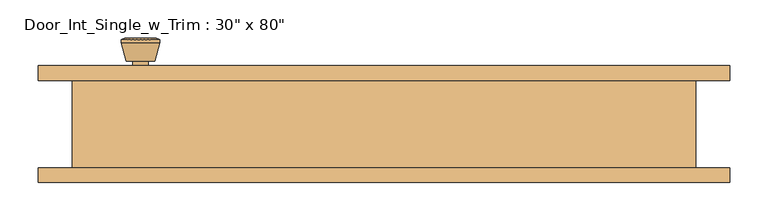
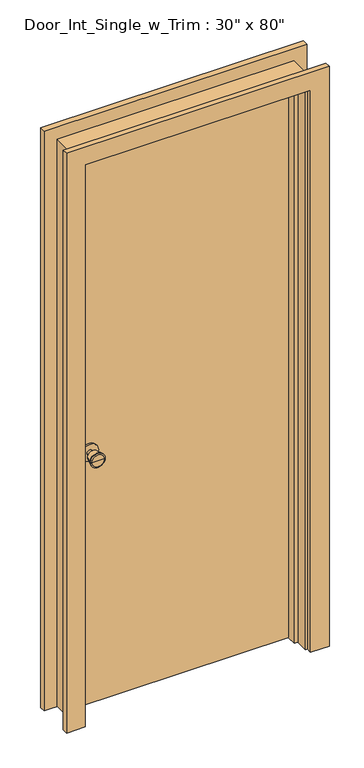
"""IFC4 building model written with IfcOpenShell, lengths in millimetres: door geometry."""

from ifc_helpers import new_model, si_unit, point, frame, frame_2d, origin, origin_with_axes, place, context, project, spatial, polyline, circle_curve, trimmed, segment, composite_curve, outline, extrude, faceted_brep, source, transform, mapped, element, save
from ifc_brep_helpers import plane_surface, cylinder_surface, revolved_surface, advanced_brep


def door_d05bd11b(model_context):
    return source(origin(), model_context, "Body", "SolidModel", [
        advanced_brep(
        [(-317.5, 13.05, 914.4), (-307.5, 13.05, 914.4), (-327.5, 13.05, 914.4), (-297.0241324, -35.95, 914.4), (-317.5, -35.95, 914.4), (-337.9758676, -35.95, 914.4), (-292.5, -34.1221319, 914.4), (-342.5, -34.1221319, 914.4), (-292.5, -30.6584537, 914.4), (-342.5, -30.6584537, 914.4), (-298.863764, -5.95, 914.4), (-336.136236, -5.95, 914.4), (-307.5, -5.95, 914.4), (-327.5, -5.95, 914.4)],
        [
            (0, 1),
            (1, 2, circle_curve(frame((-317.5, 13.05, 914.4), z_axis=(0.0, 1.0, 0.0), x_axis=(-1.0, 0.0, 0.0)), 10.0)),
            (2, 0),
            (2, 1, circle_curve(frame((-317.5, 13.05, 914.4), z_axis=(0.0, 1.0, 0.0), x_axis=(-1.0, 0.0, 0.0)), 10.0)),
            (3, 4),
            (4, 5),
            (5, 3, circle_curve(frame((-317.5, -35.95, 914.4), z_axis=(0.0, -1.0, 0.0), x_axis=(-1.0, 0.0, 0.0)), 20.4758676)),
            (3, 5, circle_curve(frame((-317.5, -35.95, 914.4), z_axis=(0.0, -1.0, 0.0), x_axis=(-1.0, 0.0, 0.0)), 20.4758676)),
            (6, 3),
            (5, 7),
            (7, 6, circle_curve(frame((-317.5, -34.1221319, 914.4), z_axis=(0.0, -1.0, 0.0), x_axis=(-1.0, 0.0, 0.0)), 25.0)),
            (6, 7, circle_curve(frame((-317.5, -34.1221319, 914.4), z_axis=(0.0, -1.0, 0.0), x_axis=(-1.0, 0.0, 0.0)), 25.0)),
            (8, 6),
            (7, 9),
            (9, 8, circle_curve(frame((-317.5, -30.6584537, 914.4), z_axis=(0.0, -1.0, 0.0), x_axis=(-1.0, 0.0, 0.0)), 25.0)),
            (8, 9, circle_curve(frame((-317.5, -30.6584537, 914.4), z_axis=(0.0, -1.0, 0.0), x_axis=(-1.0, 0.0, 0.0)), 25.0)),
            (10, 8),
            (9, 11),
            (11, 10, circle_curve(frame((-317.5, -5.95, 914.4), z_axis=(0.0, -1.0, 0.0), x_axis=(-1.0, 0.0, 0.0)), 18.636236)),
            (10, 11, circle_curve(frame((-317.5, -5.95, 914.4), z_axis=(0.0, -1.0, 0.0), x_axis=(-1.0, 0.0, 0.0)), 18.636236)),
            (12, 10),
            (11, 13),
            (13, 12, circle_curve(frame((-317.5, -5.95, 914.4), z_axis=(0.0, -1.0, 0.0), x_axis=(-1.0, 0.0, 0.0)), 10.0)),
            (12, 13, circle_curve(frame((-317.5, -5.95, 914.4), z_axis=(0.0, -1.0, 0.0), x_axis=(-1.0, 0.0, 0.0)), 10.0)),
            (1, 12),
            (13, 2),
        ],
        [
            plane_surface(frame((-317.5, 13.05, 914.4), z_axis=(0.0, 1.0, 0.0), x_axis=(-1.0, 0.0, 0.0))),
            plane_surface(frame((-317.5, -35.95, 914.4), z_axis=(0.0, -1.0, 0.0), x_axis=(-1.0, 0.0, 0.0))),
            revolved_surface(polyline([(-337.9758676, -35.95, 914.4), (-342.5, -34.1221319, 914.4)]), (-317.5, 13.05, 914.4), (0.0, 1.0, 0.0)),
            cylinder_surface(frame((-317.5, 13.05, 914.4), z_axis=(0.0, 1.0, 0.0), x_axis=(-1.0, 0.0, 0.0)), 25.0),
            revolved_surface(polyline([(-342.5, -30.6584537, 914.4), (-336.136236, -5.95, 914.4)]), (-317.5, 13.05, 914.4), (0.0, 1.0, 0.0)),
            plane_surface(frame((-317.5, -5.95, 914.4), z_axis=(0.0, 1.0, 0.0), x_axis=(-1.0, 0.0, 0.0))),
            cylinder_surface(frame((-317.5, 13.05, 914.4), z_axis=(0.0, 1.0, 0.0), x_axis=(-1.0, 0.0, 0.0)), 10.0),
        ],
        [
            (0, [[1, 2, 3]]),
            (0, [[-3, 4, -1]]),
            (1, [[5, 6, 7]]),
            (1, [[-6, -5, 8]]),
            (2, [[9, -7, 10, 11]]),
            (2, [[-10, -8, -9, 12]]),
            (3, [[13, -11, 14, 15]]),
            (3, [[-14, -12, -13, 16]]),
            (4, [[17, -15, 18, 19]]),
            (4, [[-18, -16, -17, 20]]),
            (5, [[21, -19, 22, 23]]),
            (5, [[-22, -20, -21, 24]]),
            (6, [[25, -23, 26, -2]]),
            (6, [[-26, -24, -25, -4]]),
        ],
    ),
        extrude(outline(composite_curve([segment(trimmed(circle_curve(frame_2d((914.4, -317.5)), 30.0), [point((914.4, -347.5))], [point((914.4, -287.5))], False, "CARTESIAN"), True, "CONTINUOUS"), segment(trimmed(circle_curve(frame_2d((914.4, -317.5)), 30.0), [point((914.4, -287.5))], [point((914.4, -347.5))], False, "CARTESIAN"), True, "CONTINUOUS")], self_intersect=False)), frame((0.0, 13.05, 0.0), z_axis=(0.0, 1.0, 0.0), x_axis=(0.0, 0.0, 1.0)), (0.0, 0.0, 1.0), 6.0),
        advanced_brep(
        [(-317.5, 59.975, 914.4), (-327.5, 59.975, 914.4), (-307.5, 59.975, 914.4), (-297.0241324, 108.975, 914.4), (-337.9758676, 108.975, 914.4), (-317.5, 108.975, 914.4), (-292.5, 107.1471319, 914.4), (-342.5, 107.1471319, 914.4), (-292.5, 103.6834537, 914.4), (-342.5, 103.6834537, 914.4), (-298.863764, 78.975, 914.4), (-336.136236, 78.975, 914.4), (-307.5, 78.975, 914.4), (-327.5, 78.975, 914.4)],
        [
            (0, 1),
            (1, 2, circle_curve(frame((-317.5, 59.975, 914.4), z_axis=(0.0, -1.0, 0.0), x_axis=(-1.0, 0.0, 0.0)), 10.0)),
            (2, 0),
            (2, 1, circle_curve(frame((-317.5, 59.975, 914.4), z_axis=(0.0, -1.0, 0.0), x_axis=(-1.0, 0.0, 0.0)), 10.0)),
            (3, 4, circle_curve(frame((-317.5, 108.975, 914.4), z_axis=(0.0, 1.0, 0.0), x_axis=(-1.0, 0.0, 0.0)), 20.4758676)),
            (4, 5),
            (5, 3),
            (4, 3, circle_curve(frame((-317.5, 108.975, 914.4), z_axis=(0.0, 1.0, 0.0), x_axis=(-1.0, 0.0, 0.0)), 20.4758676)),
            (6, 7, circle_curve(frame((-317.5, 107.1471319, 914.4), z_axis=(0.0, 1.0, 0.0), x_axis=(-1.0, 0.0, 0.0)), 25.0)),
            (7, 4),
            (3, 6),
            (7, 6, circle_curve(frame((-317.5, 107.1471319, 914.4), z_axis=(0.0, 1.0, 0.0), x_axis=(-1.0, 0.0, 0.0)), 25.0)),
            (8, 9, circle_curve(frame((-317.5, 103.6834537, 914.4), z_axis=(0.0, 1.0, 0.0), x_axis=(-1.0, 0.0, 0.0)), 25.0)),
            (9, 7),
            (6, 8),
            (9, 8, circle_curve(frame((-317.5, 103.6834537, 914.4), z_axis=(0.0, 1.0, 0.0), x_axis=(-1.0, 0.0, 0.0)), 25.0)),
            (10, 11, circle_curve(frame((-317.5, 78.975, 914.4), z_axis=(0.0, 1.0, 0.0), x_axis=(-1.0, 0.0, 0.0)), 18.636236)),
            (11, 9),
            (8, 10),
            (11, 10, circle_curve(frame((-317.5, 78.975, 914.4), z_axis=(0.0, 1.0, 0.0), x_axis=(-1.0, 0.0, 0.0)), 18.636236)),
            (12, 13, circle_curve(frame((-317.5, 78.975, 914.4), z_axis=(0.0, 1.0, 0.0), x_axis=(-1.0, 0.0, 0.0)), 10.0)),
            (13, 11),
            (10, 12),
            (13, 12, circle_curve(frame((-317.5, 78.975, 914.4), z_axis=(0.0, 1.0, 0.0), x_axis=(-1.0, 0.0, 0.0)), 10.0)),
            (1, 13),
            (12, 2),
        ],
        [
            plane_surface(frame((-317.5, 59.975, 914.4), z_axis=(0.0, -1.0, 0.0), x_axis=(-1.0, 0.0, 0.0))),
            plane_surface(frame((-317.5, 108.975, 914.4), z_axis=(0.0, 1.0, 0.0), x_axis=(-1.0, 0.0, 0.0))),
            revolved_surface(polyline([(-337.9758676, 108.975, 914.4), (-342.5, 107.1471319, 914.4)]), (-317.5, 59.975, 914.4), (0.0, -1.0, 0.0)),
            cylinder_surface(frame((-317.5, 59.975, 914.4), z_axis=(0.0, -1.0, 0.0), x_axis=(-1.0, 0.0, 0.0)), 25.0),
            revolved_surface(polyline([(-342.5, 103.6834537, 914.4), (-336.136236, 78.975, 914.4)]), (-317.5, 59.975, 914.4), (0.0, -1.0, 0.0)),
            plane_surface(frame((-317.5, 78.975, 914.4), z_axis=(0.0, -1.0, 0.0), x_axis=(-1.0, 0.0, 0.0))),
            cylinder_surface(frame((-317.5, 59.975, 914.4), z_axis=(0.0, -1.0, 0.0), x_axis=(-1.0, 0.0, 0.0)), 10.0),
        ],
        [
            (0, [[1, 2, 3]]),
            (0, [[-3, 4, -1]]),
            (1, [[5, 6, 7]]),
            (1, [[8, -7, -6]]),
            (2, [[9, 10, -5, 11]]),
            (2, [[12, -11, -8, -10]]),
            (3, [[13, 14, -9, 15]]),
            (3, [[16, -15, -12, -14]]),
            (4, [[17, 18, -13, 19]]),
            (4, [[20, -19, -16, -18]]),
            (5, [[21, 22, -17, 23]]),
            (5, [[24, -23, -20, -22]]),
            (6, [[-2, 25, -21, 26]]),
            (6, [[-4, -26, -24, -25]]),
        ],
    ),
        extrude(outline(composite_curve([segment(trimmed(circle_curve(frame_2d((914.4, -317.5)), 30.0), [point((914.4, -347.5))], [point((914.4, -287.5))], False, "CARTESIAN"), True, "CONTINUOUS"), segment(trimmed(circle_curve(frame_2d((914.4, -317.5)), 30.0), [point((914.4, -287.5))], [point((914.4, -347.5))], False, "CARTESIAN"), True, "CONTINUOUS")], self_intersect=False)), frame((0.0, 53.975, 0.0), z_axis=(0.0, 1.0, 0.0), x_axis=(0.0, 0.0, 1.0)), (0.0, 0.0, 1.0), 6.0),
        faceted_brep([(406.4, 53.975, 0.0), (406.4, -60.325, 0.0), (381.0, -60.325, 0.0), (381.0, -15.875, 0.0), (368.3, -15.875, 0.0), (368.3, 19.05, 0.0), (381.0, 19.05, 0.0), (381.0, 53.975, 0.0), (406.4, 53.975, 2057.4), (406.4, -60.325, 2057.4), (-406.4, -60.325, 2057.4), (-406.4, -60.325, 0.0), (-381.0, -60.325, 0.0), (-381.0, -60.325, 2032.0), (381.0, -60.325, 2032.0), (381.0, -15.875, 2032.0), (-381.0, -15.875, 2032.0), (-381.0, -15.875, 0.0), (-368.3, -15.875, 0.0), (-368.3, -15.875, 2019.3), (368.3, -15.875, 2019.3), (368.3, 19.05, 2019.3), (-368.3, 19.05, 2019.3), (-368.3, 19.05, 0.0), (-381.0, 19.05, 0.0), (-381.0, 19.05, 2032.0), (381.0, 19.05, 2032.0), (381.0, 53.975, 2032.0), (-381.0, 53.975, 2032.0), (-381.0, 53.975, 0.0), (-406.4, 53.975, 0.0), (-406.4, 53.975, 2057.4)], [[[0, 1, 2, 3, 4, 5, 6, 7]], [[1, 0, 8, 9]], [[2, 1, 9, 10, 11, 12, 13, 14]], [[3, 2, 14, 15]], [[4, 3, 15, 16, 17, 18, 19, 20]], [[5, 4, 20, 21]], [[6, 5, 21, 22, 23, 24, 25, 26]], [[7, 6, 26, 27]], [[0, 7, 27, 28, 29, 30, 31, 8]], [[9, 8, 31, 10]], [[15, 14, 13, 16]], [[21, 20, 19, 22]], [[27, 26, 25, 28]], [[30, 29, 24, 23, 18, 17, 12, 11]], [[10, 31, 30, 11]], [[16, 13, 12, 17]], [[22, 19, 18, 23]], [[28, 25, 24, 29]]]),
        extrude(outline(polyline([(381.0, 19.05), (-381.0, 19.05), (-381.0, 53.975), (381.0, 53.975), (381.0, 19.05)])), origin_with_axes(), (0.0, 0.0, 1.0), 2032.0),
        extrude(outline(polyline([(0.0, 387.35), (0.0, 450.85), (2101.85, 450.85), (2101.85, -450.85), (0.0, -450.85), (0.0, -387.35), (2038.35, -387.35), (2038.35, 387.35), (0.0, 387.35)])), frame((0.0, 53.975, 0.0), z_axis=(0.0, 1.0, 0.0), x_axis=(0.0, 0.0, 1.0)), (0.0, 0.0, 1.0), 19.05),
        extrude(outline(polyline([(0.0, 387.35), (0.0, 450.85), (2101.85, 450.85), (2101.85, -450.85), (0.0, -450.85), (0.0, -387.35), (2038.35, -387.35), (2038.35, 387.35), (0.0, 387.35)])), frame((0.0, -79.375, 0.0), z_axis=(0.0, 1.0, 0.0), x_axis=(0.0, 0.0, 1.0)), (0.0, 0.0, 1.0), 19.05),
    ])


if __name__ == "__main__":
    model = new_model("IFC4")
    model_context = context("Model", 3, world=origin())
    ifc_project = project(units=[si_unit("LENGTHUNIT", "METRE", prefix="MILLI")], contexts=[model_context])
    site = spatial("IfcSite", under=ifc_project)
    building = spatial("IfcBuilding", under=site)
    placement = place(None, origin())
    door_shape = door_d05bd11b(model_context)
    element("IfcDoor", 1, ObjectType="Door_Int_Single_w_Trim : 30\" x 80\"", at=placement, inside=building, context=model_context, shape_type="MappedRepresentation", body=[
        mapped(door_shape, transform((0.0, 0.0, 0.0), x_axis=(1.0, 0.0, 0.0), y_axis=(0.0, 1.0, 0.0), z_axis=(0.0, 0.0, 1.0))),
    ])
    save(model, "model.ifc")
